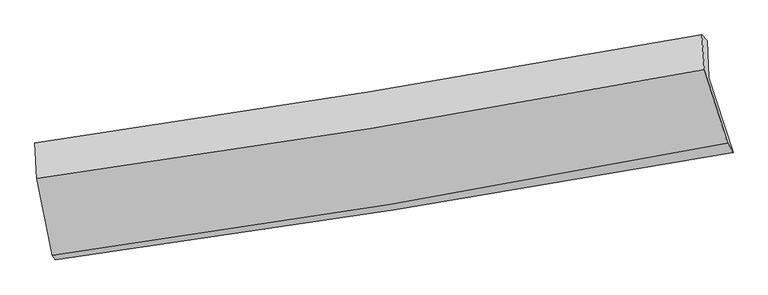
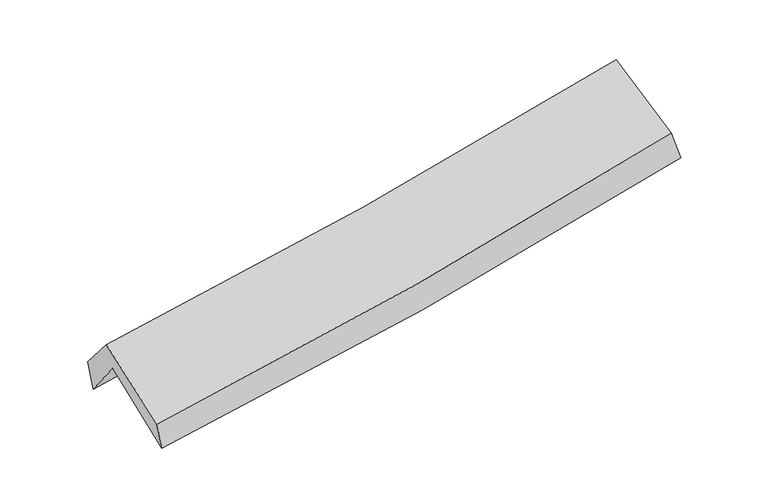
"""IFC4 building model written with IfcOpenShell, lengths in millimetres: proxy geometry."""

from ifc_helpers import new_model, si_unit, frame, origin, place, context, project, spatial, source, transform, mapped, element, save
from ifc_brep_helpers import plane_surface, spline_curve, spline_surface, advanced_brep


def generic_models_c1edbd40(model_context):
    return source(origin(), model_context, "Body", "AdvancedBrep", [
        advanced_brep(
        [(-2200.2466448, -2453.7908515, 1503.5158821), (-2303.8893652, -1949.8093507, 1913.8837178), (2237.7733507, -1212.2138148, 2337.1378216), (2402.1214517, -1721.273307, 1920.2218214), (-2315.2360504, -1698.0096067, 1589.0009115), (2225.5111445, -962.6742423, 2022.8961463), (-2337.4181707, -1658.8257814, 1806.0039568), (2189.9531757, -922.8902071, 2227.9467257), (-2324.8931385, -1897.6336004, 2091.009278), (2207.3003029, -1159.6423494, 2482.7039731), (-2219.6218553, -2420.4718933, 1694.7645904), (2364.552941, -1658.5270553, 2103.0549675)],
        [
            (0, 1),
            (1, 2, spline_curve(3, [(-2303.8893652, -1949.8093507, 1913.8837178), (-1546.730783479, -1837.125619675, 1962.122984819), (-791.301965331, -1719.603085188, 2021.314533372), (722.615661039, -1473.821980112, 2162.208940067), (1481.074414934, -1345.479336157, 2244.102092685), (2237.7733507, -1212.2138148, 2337.1378216)], [4, 2, 4], [0.0, 7.596084252371974, 15.257874839992695])),
            (2, 3),
            (3, 0, spline_curve(3, [(2402.1214517, -1721.273307, 1920.2218214), (1637.076833152, -1859.184468502, 1823.790235704), (869.360762121, -1989.413111234, 1740.756857071), (-664.807560251, -2233.454422892, 1602.083693831), (-1431.214188022, -2347.398294936, 1546.21509294), (-2200.2466448, -2453.7908515, 1503.5158821)], [4, 2, 4], [0.0, 7.661790587620721, 15.257874839992695])),
            (1, 4),
            (4, 5, spline_curve(3, [(-2315.2360504, -1698.0096067, 1589.0009115), (-1558.302020092, -1588.491172132, 1645.16616), (-803.061599003, -1472.744830519, 1709.21690563), (710.550225409, -1227.741251309, 1853.711641022), (1468.892202762, -1098.375805066, 1934.292640388), (2225.5111445, -962.6742423, 2022.8961463)], [4, 2, 4], [0.0, 7.547759407214659, 15.160807138453958])),
            (5, 2),
            (4, 6),
            (6, 7, spline_curve(3, [(-2337.4181707, -1658.8257814, 1806.0039568), (-1583.120568782, -1550.058440216, 1863.539470736), (-830.309112991, -1434.639674564, 1927.290820883), (678.840490541, -1189.443383974, 2067.830410978), (1435.152817069, -1059.550291714, 2144.726650633), (2189.9531757, -922.8902071, 2227.9467257)], [4, 2, 4], [0.0, 7.535664314809471, 15.136512330765525])),
            (7, 5),
            (6, 8),
            (8, 9, spline_curve(3, [(-2324.8931385, -1897.6336004, 2091.009278), (-1568.596883537, -1794.858153453, 2140.693741292), (-814.383409891, -1682.278402477, 2198.00365157), (696.383925221, -1436.451667523, 2328.436058836), (1452.901598864, -1303.034334719, 2401.691046728), (2207.3003029, -1159.6423494, 2482.7039731)], [4, 2, 4], [0.0, 7.526308476524203, 15.117719725939526])),
            (9, 7),
            (8, 10),
            (10, 11, spline_curve(3, [(-2219.6218553, -2420.4718933, 1694.7645904), (-1453.142481272, -2316.20671374, 1745.217047372), (-689.520970909, -2200.899911936, 1804.283695852), (838.586949735, -1947.110145959, 1940.230817857), (1603.023704562, -1808.435335374, 2017.260961518), (2364.552941, -1658.5270553, 2103.0549675)], [4, 2, 4], [0.0, 7.574814233902224, 15.2151508168153])),
            (11, 9),
            (10, 0),
            (3, 11),
        ],
        [
            spline_surface(3, 3, [[(-2200.2466448, -2453.7908515, 1503.5158821), (-1431.214188008, -2347.398294922, 1546.215092829), (-664.807560214, -2233.454422884, 1602.083693826), (869.360762084, -1989.413111242, 1740.756857076), (1637.076833107, -1859.184468423, 1823.790235796), (2402.1214517, -1721.273307, 1920.2218214)], [(-2234.794218275, -2285.797017912, 1640.305160694), (-1469.71971984, -2177.307403195, 1684.851056822), (-706.972361934, -2062.170643658, 1741.82730701), (820.445728401, -1817.549400886, 1881.24088474), (1585.076027026, -1687.949424292, 1963.894188086), (2347.338751364, -1551.586809586, 2059.193821444)], [(-2269.341791725, -2117.803184288, 1777.094439206), (-1508.225251647, -2007.216511432, 1823.487020734), (-749.137163631, -1890.886864392, 1881.57092019), (771.530694742, -1645.68569049, 2021.7249124), (1533.075220953, -1516.714380203, 2103.998140444), (2292.556051036, -1381.900312214, 2198.165821556)], [(-2303.8893652, -1949.8093507, 1913.8837178), (-1546.730783478, -1837.125619705, 1962.122984727), (-791.301965351, -1719.603085165, 2021.314533374), (722.615661059, -1473.821980135, 2162.208940065), (1481.074414872, -1345.479336071, 2244.102092734), (2237.7733507, -1212.2138148, 2337.1378216)]], [4, 4], [4, 2, 4], [0.0, 2.225969878946774], [0.0, 7.596084252371974, 15.257874839992695]),
            spline_surface(3, 3, [[(-2303.8893652, -1949.8093507, 1913.8837178), (-1546.730783478, -1837.125619705, 1962.122984727), (-791.301965351, -1719.603085165, 2021.314533374), (722.615661059, -1473.821980135, 2162.208940065), (1481.074414872, -1345.479336071, 2244.102092734), (2237.7733507, -1212.2138148, 2337.1378216)], [(-2307.671593585, -1865.876102698, 1805.589449031), (-1550.587862376, -1754.247470543, 1856.470709839), (-795.221843253, -1637.317000231, 1917.281990784), (718.593849202, -1391.79507054, 2059.376507043), (1477.013677455, -1263.11149242, 2140.832275312), (2233.685948627, -1129.033957309, 2232.390596525)], [(-2311.453822015, -1781.942854702, 1697.295180269), (-1554.444941318, -1671.369321387, 1750.818434958), (-799.141721167, -1555.030915354, 1813.249448219), (714.572037332, -1309.768161003, 1956.544074045), (1472.952940057, -1180.74364874, 2037.562457815), (2229.598546573, -1045.854099791, 2127.643371375)], [(-2315.2360504, -1698.0096067, 1589.0009115), (-1558.302020216, -1588.491172225, 1645.166160071), (-803.061599068, -1472.74483042, 1709.21690563), (710.550225474, -1227.741251409, 1853.711641023), (1468.892202641, -1098.375805089, 1934.292640393), (2225.5111445, -962.6742423, 2022.8961463)]], [4, 4], [4, 2, 4], [0.0, 1.30064733520192], [0.0, 7.547759407214659, 15.160807138453958]),
            spline_surface(3, 3, [[(-2315.2360504, -1698.0096067, 1589.0009115), (-1558.302020216, -1588.491172225, 1645.166160071), (-803.061599068, -1472.74483042, 1709.21690563), (710.550225474, -1227.741251409, 1853.711641023), (1468.892202641, -1098.375805089, 1934.292640393), (2225.5111445, -962.6742423, 2022.8961463)], [(-2322.630090507, -1684.9483316, 1661.33525991), (-1566.574869769, -1575.680261524, 1717.95726363), (-812.144103742, -1460.043111791, 1781.908210702), (699.98031386, -1214.975295638, 1925.084564384), (1457.645740753, -1085.433967253, 2004.437310478), (2213.658488213, -949.41289722, 2091.246339422)], [(-2330.024130593, -1671.8870565, 1733.66960839), (-1574.847719301, -1562.869350823, 1790.748367261), (-821.226608411, -1447.341393116, 1854.599515729), (689.410402249, -1202.209339822, 1996.457487699), (1446.399278926, -1072.492129458, 2074.581980599), (2201.805831987, -936.15155218, 2159.596532578)], [(-2337.4181707, -1658.8257814, 1806.0039568), (-1583.120568854, -1550.058440122, 1863.53947082), (-830.309113084, -1434.639674487, 1927.290820801), (678.840490635, -1189.443384052, 2067.83041106), (1435.152817039, -1059.550291622, 2144.726650684), (2189.9531757, -922.8902071, 2227.9467257)]], [4, 4], [4, 2, 4], [0.0, 0.7263913667949455], [0.0, 7.535664314809471, 15.136512330765525]),
            spline_surface(3, 3, [[(-2337.4181707, -1658.8257814, 1806.0039568), (-1583.120568854, -1550.058440122, 1863.53947082), (-830.309113084, -1434.639674487, 1927.290820801), (678.840490635, -1189.443384052, 2067.83041106), (1435.152817039, -1059.550291622, 2144.726650684), (2189.9531757, -922.8902071, 2227.9467257)], [(-2333.243159975, -1738.428387745, 1901.005730554), (-1578.279340405, -1631.658344573, 1955.92422767), (-825.000545363, -1517.18591718, 2017.52843106), (684.68830219, -1271.779478518, 2154.69896028), (1441.069077668, -1140.711639322, 2230.381449394), (2195.735551463, -1001.80758787, 2312.865808154)], [(-2329.068149225, -1818.030994055, 1996.007504246), (-1573.438111932, -1713.25824899, 2048.308984457), (-819.691977667, -1599.732159864, 2107.766041373), (690.536113721, -1354.115572976, 2241.567509554), (1446.985338209, -1221.872987012, 2316.036248143), (2201.517927137, -1080.72496863, 2397.784890646)], [(-2324.8931385, -1897.6336004, 2091.009278), (-1568.596883483, -1794.858153441, 2140.693741306), (-814.383409946, -1682.278402557, 2198.003651632), (696.383925276, -1436.451667442, 2328.436058773), (1452.901598838, -1303.034334712, 2401.691046853), (2207.3003029, -1159.6423494, 2482.7039731)]], [4, 4], [4, 2, 4], [0.0, 1.1919861311217599], [0.0, 7.526308476524203, 15.117719725939526]),
            spline_surface(3, 3, [[(-2324.8931385, -1897.6336004, 2091.009278), (-1568.596883483, -1794.858153441, 2140.693741306), (-814.383409946, -1682.278402557, 2198.003651632), (696.383925276, -1436.451667442, 2328.436058773), (1452.901598838, -1303.034334712, 2401.691046853), (2207.3003029, -1159.6423494, 2482.7039731)], [(-2289.802710756, -2071.913031351, 1958.927715472), (-1530.112082755, -1968.64100686, 2008.86817663), (-772.762596899, -1855.152238975, 2066.763666398), (743.784933396, -1606.671160285, 2199.034311772), (1502.942300726, -1471.501334896, 2273.547685082), (2259.717848906, -1325.93725137, 2356.154304589)], [(-2254.712283044, -2246.192462349, 1826.846152928), (-1491.627282058, -2142.423860327, 1877.042611938), (-731.141783854, -2028.02607545, 1935.523681169), (791.185941513, -1776.890653185, 2069.632564776), (1552.983002695, -1639.968335071, 2145.404323243), (2312.135394994, -1492.23215333, 2229.604636011)], [(-2219.6218553, -2420.4718933, 1694.7645904), (-1453.14248133, -2316.206713746, 1745.217047261), (-689.520970807, -2200.899911868, 1804.283695935), (838.586949633, -1947.110146028, 1940.230817774), (1603.023704584, -1808.435335254, 2017.260961472), (2364.552941, -1658.5270553, 2103.0549675)]], [4, 4], [4, 2, 4], [0.0, 2.165113288873718], [0.0, 7.574814233902224, 15.2151508168153]),
            spline_surface(3, 3, [[(-2219.6218553, -2420.4718933, 1694.7645904), (-1453.14248133, -2316.206713746, 1745.217047261), (-689.520970807, -2200.899911868, 1804.283695935), (838.586949633, -1947.110146028, 1940.230817774), (1603.023704584, -1808.435335254, 2017.260961472), (2364.552941, -1658.5270553, 2103.0549675)], [(-2213.163451802, -2431.578212694, 1631.015020939), (-1445.833050225, -2326.603907465, 1678.883062423), (-681.28316728, -2211.751415547, 1736.883695243), (848.844887112, -1961.211134439, 1873.739497552), (1614.374747451, -1825.35171299, 1952.77071958), (2377.075777926, -1679.442472546, 2042.110585466)], [(-2206.705048298, -2442.684532106, 1567.265451561), (-1438.523619114, -2337.001101203, 1612.549077667), (-673.045363741, -2222.602919205, 1669.483694518), (859.102824604, -1975.31212283, 1807.248177298), (1625.725790239, -1842.268090688, 1888.280477688), (2389.598614774, -1700.357889754, 1981.166203434)], [(-2200.2466448, -2453.7908515, 1503.5158821), (-1431.214188008, -2347.398294922, 1546.215092829), (-664.807560214, -2233.454422884, 1602.083693826), (869.360762084, -1989.413111242, 1740.756857076), (1637.076833107, -1859.184468423, 1823.790235796), (2402.1214517, -1721.273307, 1920.2218214)]], [4, 4], [4, 2, 4], [0.0, 0.6764094339926746], [0.0, 7.632463578541583, 15.33094817449209]),
            plane_surface(frame((2271.2020611, -1272.8701626, 2182.3269093), z_axis=(0.9696572815910166, 0.2084627689255538, 0.12770289828117207), x_axis=(0.24329932338638127, -0.7718682047218928, -0.5873882138578638))),
            plane_surface(frame((-2283.5508708, -2013.0901807, 1766.3630561), z_axis=(-0.9870464474489208, -0.14165654684304085, -0.07531754984709979), x_axis=(-0.09931224368779829, 0.1707842345917989, 0.9802906831489264))),
        ],
        [
            (0, [[1, 2, 3, 4]]),
            (1, [[5, 6, 7, -2]]),
            (2, [[8, 9, 10, -6]]),
            (3, [[11, 12, 13, -9]]),
            (4, [[14, 15, 16, -12]]),
            (5, [[17, -4, 18, -15]]),
            (6, [[-16, -18, -3, -7, -10, -13]]),
            (7, [[-17, -14, -11, -8, -5, -1]]),
        ],
    ),
    ])


if __name__ == "__main__":
    model = new_model("IFC4")
    model_context = context("Model", 3, world=origin())
    ifc_project = project(units=[si_unit("LENGTHUNIT", "METRE", prefix="MILLI")], contexts=[model_context])
    site = spatial("IfcSite", under=ifc_project)
    building = spatial("IfcBuilding", under=site)
    placement = place(None, origin())
    generic_models_shape = generic_models_c1edbd40(model_context)
    element("IfcBuildingElementProxy", 1, Name="Generic Models", at=placement, inside=building, context=model_context, shape_type="MappedRepresentation", body=[
        mapped(generic_models_shape, transform((0.0, 0.0, 0.0), x_axis=(1.0, 0.0, 0.0), y_axis=(0.0, 1.0, 0.0), z_axis=(0.0, 0.0, 1.0))),
    ])
    save(model, "model.ifc")
